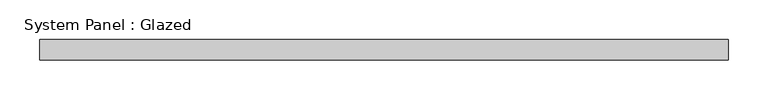
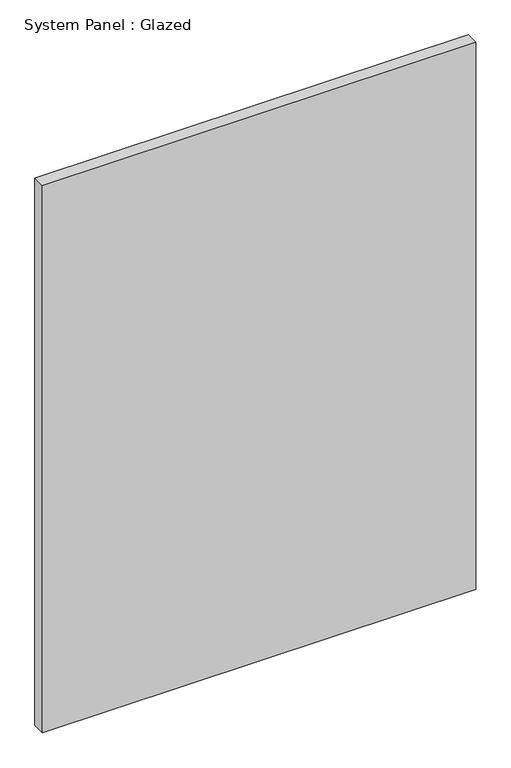
"""IFC4 building model written with IfcOpenShell, lengths in millimetres: plate geometry, System Panel : Glazed."""

from ifc_helpers import new_model, si_unit, origin, origin_with_axes, place, context, project, spatial, polyline, outline, extrude, source, transform, mapped, element, save


def system_panel_glazed_e1b045ca(model_context):
    return source(origin(), model_context, "Body", "SweptSolid", [
        extrude(outline(polyline([(430.2232701, -12.7), (-430.2232701, -12.7), (-430.2232701, 12.7), (430.2232701, 12.7), (430.2232701, -12.7)])), origin_with_axes(), (0.0, 0.0, 1.0), 1148.5626254),
    ])


if __name__ == "__main__":
    model = new_model("IFC4")
    model_context = context("Model", 3, world=origin())
    ifc_project = project(units=[si_unit("LENGTHUNIT", "METRE", prefix="MILLI")], contexts=[model_context])
    site = spatial("IfcSite", under=ifc_project)
    building = spatial("IfcBuilding", under=site)
    placement = place(None, origin())
    system_panel_glazed_shape = system_panel_glazed_e1b045ca(model_context)
    element("IfcPlate", 1, ObjectType="System Panel : Glazed", at=placement, inside=building, context=model_context, shape_type="MappedRepresentation", body=[
        mapped(system_panel_glazed_shape, transform((0.0, 0.0, 0.0), x_axis=(1.0, 0.0, 0.0), y_axis=(0.0, 1.0, 0.0), z_axis=(0.0, 0.0, 1.0))),
    ])
    save(model, "model.ifc")
